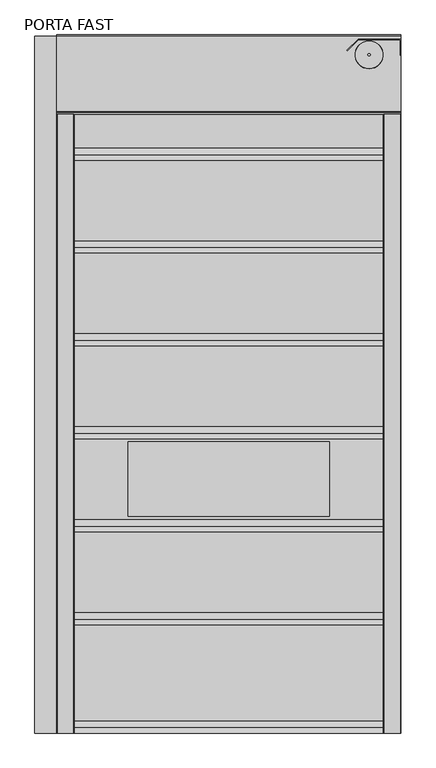
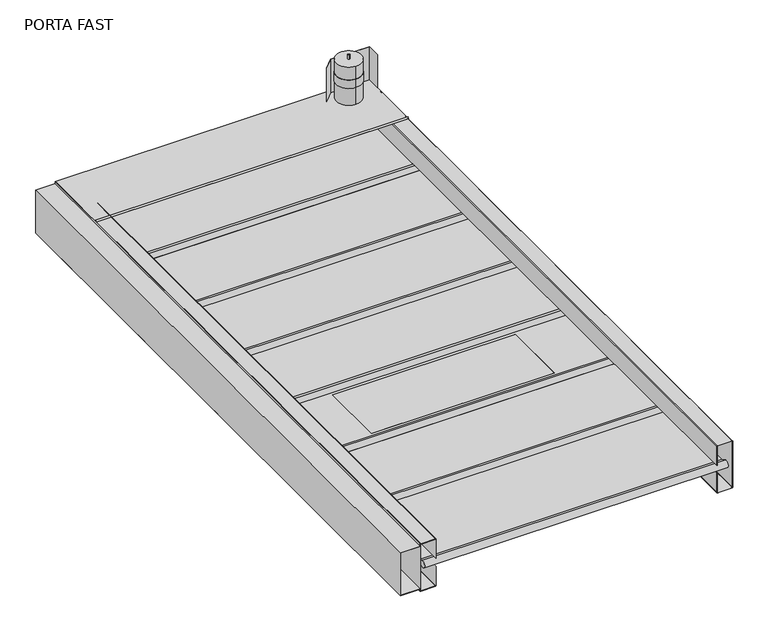
"""IFC4 building model written with IfcOpenShell, lengths in millimetres: proxy geometry, PORTA FAST."""

from ifc_helpers import new_model, si_unit, point, frame, frame_2d, origin, origin_with_axes, place, context, project, spatial, polyline, circle_curve, trimmed, segment, composite_curve, outline, extrude, source, transform, mapped, element, save
from ifc_brep_helpers import plane_surface, cylinder_surface, advanced_brep


def porta_fast_1e1f6c36(model_context):
    return source(origin(), model_context, "Body", "SolidModel", [
        extrude(outline(polyline([(340.25, -1253.5), (16.25, -1253.5), (16.25, -1113.5), (0.75, -1113.5), (0.75, -1112.0), (17.75, -1112.0), (17.75, -1252.0), (338.75, -1252.0), (338.75, -1112.0), (355.75, -1112.0), (355.75, -1113.5), (340.25, -1113.5), (340.25, -1253.5)])), frame((0.0, 0.0, 0.0), z_axis=(0.0, 1.0, 0.0), x_axis=(0.0, 0.0, 1.0)), (0.0, 0.0, 1.0), 4500.0),
        extrude(outline(composite_curve([segment(polyline([(147.5, 1000.0), (4.0, 1000.0)]), True, "CONTINUOUS"), segment(trimmed(circle_curve(frame_2d((4.0, 1004.0)), 4.0), [point((4.0, 1000.0))], [point((0.0, 1004.0))], False, "CARTESIAN"), True, "CONTINUOUS"), segment(polyline([(0.0, 1004.0), (0.0, 1108.0)]), True, "CONTINUOUS"), segment(trimmed(circle_curve(frame_2d((4.0, 1108.0)), 4.0), [point((0.0, 1108.0))], [point((4.0, 1112.0))], False, "CARTESIAN"), True, "CONTINUOUS"), segment(polyline([(4.0, 1112.0), (351.0, 1112.0)]), True, "CONTINUOUS"), segment(trimmed(circle_curve(frame_2d((351.0, 1108.0)), 4.0), [point((351.0, 1112.0))], [point((355.0, 1108.0))], False, "CARTESIAN"), True, "CONTINUOUS"), segment(polyline([(355.0, 1108.0), (355.0, 1004.0)]), True, "CONTINUOUS"), segment(trimmed(circle_curve(frame_2d((351.0, 1004.0)), 4.0), [point((355.0, 1004.0))], [point((351.0, 1000.0))], False, "CARTESIAN"), True, "CONTINUOUS"), segment(polyline([(351.0, 1000.0), (207.5, 1000.0), (207.5, 1001.5), (351.0, 1001.5)]), True, "CONTINUOUS"), segment(trimmed(circle_curve(frame_2d((351.0, 1004.0)), 2.5), [point((351.0, 1001.5))], [point((353.5, 1004.0))], True, "CARTESIAN"), True, "CONTINUOUS"), segment(polyline([(353.5, 1004.0), (353.5, 1108.0)]), True, "CONTINUOUS"), segment(trimmed(circle_curve(frame_2d((351.0, 1108.0)), 2.5), [point((353.5, 1108.0))], [point((351.0, 1110.5))], True, "CARTESIAN"), True, "CONTINUOUS"), segment(polyline([(351.0, 1110.5), (4.0, 1110.5)]), True, "CONTINUOUS"), segment(trimmed(circle_curve(frame_2d((4.0, 1108.0)), 2.5), [point((4.0, 1110.5))], [point((1.5, 1108.0))], True, "CARTESIAN"), True, "CONTINUOUS"), segment(polyline([(1.5, 1108.0), (1.5, 1004.0)]), True, "CONTINUOUS"), segment(trimmed(circle_curve(frame_2d((4.0, 1004.0)), 2.5), [point((1.5, 1004.0))], [point((4.0, 1001.5))], True, "CARTESIAN"), True, "CONTINUOUS"), segment(polyline([(4.0, 1001.5), (147.5, 1001.5), (147.5, 1000.0)]), True, "CONTINUOUS")], self_intersect=False)), frame((0.0, 0.0, 0.0), z_axis=(0.0, 1.0, 0.0), x_axis=(0.0, 0.0, 1.0)), (0.0, 0.0, 1.0), 4172.0),
        extrude(outline(composite_curve([segment(polyline([(147.5, -1000.0), (147.5, -1001.5), (4.0, -1001.5)]), True, "CONTINUOUS"), segment(trimmed(circle_curve(frame_2d((4.0, -1004.0)), 2.5), [point((4.0, -1001.5))], [point((1.5, -1004.0))], True, "CARTESIAN"), True, "CONTINUOUS"), segment(polyline([(1.5, -1004.0), (1.5, -1108.0)]), True, "CONTINUOUS"), segment(trimmed(circle_curve(frame_2d((4.0, -1108.0)), 2.5), [point((1.5, -1108.0))], [point((4.0, -1110.5))], True, "CARTESIAN"), True, "CONTINUOUS"), segment(polyline([(4.0, -1110.5), (351.0, -1110.5)]), True, "CONTINUOUS"), segment(trimmed(circle_curve(frame_2d((351.0, -1108.0)), 2.5), [point((351.0, -1110.5))], [point((353.5, -1108.0))], True, "CARTESIAN"), True, "CONTINUOUS"), segment(polyline([(353.5, -1108.0), (353.5, -1004.0)]), True, "CONTINUOUS"), segment(trimmed(circle_curve(frame_2d((351.0, -1004.0)), 2.5), [point((353.5, -1004.0))], [point((351.0, -1001.5))], True, "CARTESIAN"), True, "CONTINUOUS"), segment(polyline([(351.0, -1001.5), (207.5, -1001.5), (207.5, -1000.0), (351.0, -1000.0)]), True, "CONTINUOUS"), segment(trimmed(circle_curve(frame_2d((351.0, -1004.0)), 4.0), [point((351.0, -1000.0))], [point((355.0, -1004.0))], False, "CARTESIAN"), True, "CONTINUOUS"), segment(polyline([(355.0, -1004.0), (355.0, -1108.0)]), True, "CONTINUOUS"), segment(trimmed(circle_curve(frame_2d((351.0, -1108.0)), 4.0), [point((355.0, -1108.0))], [point((351.0, -1112.0))], False, "CARTESIAN"), True, "CONTINUOUS"), segment(polyline([(351.0, -1112.0), (4.0, -1112.0)]), True, "CONTINUOUS"), segment(trimmed(circle_curve(frame_2d((4.0, -1108.0)), 4.0), [point((4.0, -1112.0))], [point((0.0, -1108.0))], False, "CARTESIAN"), True, "CONTINUOUS"), segment(polyline([(0.0, -1108.0), (0.0, -1004.0)]), True, "CONTINUOUS"), segment(trimmed(circle_curve(frame_2d((4.0, -1004.0)), 4.0), [point((0.0, -1004.0))], [point((4.0, -1000.0))], False, "CARTESIAN"), True, "CONTINUOUS"), segment(polyline([(4.0, -1000.0), (147.5, -1000.0)]), True, "CONTINUOUS")], self_intersect=False)), frame((0.0, 0.0, 0.0), z_axis=(0.0, 1.0, 0.0), x_axis=(0.0, 0.0, 1.0)), (0.0, 0.0, 1.0), 4172.0),
        extrude(outline(polyline([(650.0, 1879.752957), (650.0, 1400.0), (-650.0, 1400.0), (-650.0, 1879.752957), (650.0, 1879.752957)])), frame((0.0, 0.0, 177.0), z_axis=(0.0, 0.0, 1.0), x_axis=(1.0, 0.0, 0.0)), (0.0, 0.0, 1.0), 1.0),
        advanced_brep(
        [(-1080.0, 4355.0, 164.5687156), (-1080.0, 4355.0, 190.4312844), (1080.0, 4355.0, 190.4312844), (1080.0, 4355.0, 164.5687156), (-1080.0, 79.8109554, 178.0003263), (-1080.0, 699.9534443, 178.0003263), (-1080.0, 736.1471287, 199.8393608), (-1080.0, 779.8109554, 178.0), (-1080.0, 1299.9534376, 178.0), (-1080.0, 1336.1471287, 199.8393608), (-1080.0, 1379.8109554, 178.0), (-1080.0, 1899.9534376, 178.0), (-1080.0, 1936.1471287, 199.8393608), (-1080.0, 1979.8109554, 178.0), (-1080.0, 2499.9534376, 178.0), (-1080.0, 2536.1471287, 199.8393608), (-1080.0, 2579.8109554, 178.0), (-1080.0, 3099.9534376, 178.0), (-1080.0, 3136.1471287, 199.8393608), (-1080.0, 3179.8109554, 178.0), (-1080.0, 3699.9534376, 178.0), (-1080.0, 3736.1471287, 199.8393608), (-1080.0, 3779.8109554, 178.0), (-1080.0, 4299.9534376, 178.0), (-1080.0, 4336.1471287, 199.8393608), (-1080.0, 4336.1527137, 155.1254687), (-1080.0, 4299.952957, 177.0), (-1080.0, 3779.8109554, 177.0), (-1080.0, 3736.1527137, 155.1254687), (-1080.0, 3699.952957, 177.0), (-1080.0, 3179.8109554, 177.0), (-1080.0, 3136.1527137, 155.1254687), (-1080.0, 3099.952957, 177.0), (-1080.0, 2579.8109554, 177.0), (-1080.0, 2536.1527137, 155.1254687), (-1080.0, 2499.952957, 177.0), (-1080.0, 1979.8109554, 177.0), (-1080.0, 1936.1527137, 155.1254687), (-1080.0, 1899.952957, 177.0), (-1080.0, 1379.8109554, 177.0), (-1080.0, 1336.1527137, 155.1254687), (-1080.0, 1299.952957, 177.0), (-1080.0, 779.8109554, 177.0), (-1080.0, 736.1527137, 155.1254687), (-1080.0, 699.952957, 177.0), (-1080.0, 79.8109554, 177.0), (-1080.0, 36.1989348, 155.1486273), (-1080.0, 36.1988011, 199.8514396), (1080.0, 79.8109554, 178.0003263), (1080.0, 36.1988011, 199.8514396), (1080.0, 36.1989348, 155.1486273), (1080.0, 79.8109554, 177.0), (1080.0, 699.952957, 177.0), (1080.0, 736.1471287, 155.1366155), (1080.0, 779.8109554, 177.0), (1080.0, 1299.952957, 177.0), (1080.0, 1336.1471287, 155.1366155), (1080.0, 1379.8109554, 177.0), (1080.0, 1899.952957, 177.0), (1080.0, 1936.1471287, 155.1366155), (1080.0, 1979.8109554, 177.0), (1080.0, 2499.952957, 177.0), (1080.0, 2536.1471287, 155.1366155), (1080.0, 2579.8109554, 177.0), (1080.0, 3099.952957, 177.0), (1080.0, 3136.1471287, 155.1366155), (1080.0, 3179.8109554, 177.0), (1080.0, 3699.952957, 177.0), (1080.0, 3736.1471287, 155.1366155), (1080.0, 3779.8109554, 177.0), (1080.0, 4299.952957, 177.0), (1080.0, 4336.1471287, 155.1366155), (1080.0, 4336.1623351, 199.8697106), (1080.0, 4299.9534376, 178.0), (1080.0, 3779.8109554, 178.0), (1080.0, 3736.1623351, 199.8697106), (1080.0, 3699.9534376, 178.0), (1080.0, 3179.8109554, 178.0), (1080.0, 3136.1623351, 199.8697106), (1080.0, 3099.9534376, 178.0), (1080.0, 2579.8109554, 178.0), (1080.0, 2536.1623351, 199.8697106), (1080.0, 2499.9534376, 178.0), (1080.0, 1979.8109554, 178.0), (1080.0, 1936.1623351, 199.8697106), (1080.0, 1899.9534376, 178.0), (1080.0, 1379.8109554, 178.0), (1080.0, 1336.1623351, 199.8697106), (1080.0, 1299.9534376, 178.0), (1080.0, 779.8109554, 178.0), (1080.0, 736.1623351, 199.8697106), (1080.0, 699.9534443, 178.0003263), (650.0, 1879.752957, 177.0), (-650.0, 1879.752957, 177.0), (-650.0, 1400.0, 177.0), (650.0, 1400.0, 177.0), (-650.0, 1879.752957, 178.0), (650.0, 1879.752957, 178.0), (650.0, 1400.0, 178.0), (-650.0, 1400.0, 178.0)],
        [
            (0, 1),
            (1, 2),
            (2, 3),
            (3, 0),
            (4, 5),
            (5, 6, circle_curve(frame((-1080.0, 724.9481939, 177.4879882), z_axis=(-1.0, 0.0, 0.0), x_axis=(0.0, 1.0, 0.0)), 25.0)),
            (6, 7),
            (7, 8),
            (8, 9, circle_curve(frame((-1080.0, 1324.9481939, 177.4879882), z_axis=(-1.0, 0.0, 0.0), x_axis=(0.0, 1.0, 0.0)), 25.0)),
            (9, 10),
            (10, 11),
            (11, 12, circle_curve(frame((-1080.0, 1924.9481939, 177.4879882), z_axis=(-1.0, 0.0, 0.0), x_axis=(0.0, 1.0, 0.0)), 25.0)),
            (12, 13),
            (13, 14),
            (14, 15, circle_curve(frame((-1080.0, 2524.9481939, 177.4879882), z_axis=(-1.0, 0.0, 0.0), x_axis=(0.0, 1.0, 0.0)), 25.0)),
            (15, 16),
            (16, 17),
            (17, 18, circle_curve(frame((-1080.0, 3124.9481939, 177.4879882), z_axis=(-1.0, 0.0, 0.0), x_axis=(0.0, 1.0, 0.0)), 25.0)),
            (18, 19),
            (19, 20),
            (20, 21, circle_curve(frame((-1080.0, 3724.9481939, 177.4879882), z_axis=(-1.0, 0.0, 0.0), x_axis=(0.0, 1.0, 0.0)), 25.0)),
            (21, 22),
            (22, 23),
            (23, 24, circle_curve(frame((-1080.0, 4324.9481939, 177.4879882), z_axis=(-1.0, 0.0, 0.0), x_axis=(0.0, 1.0, 0.0)), 25.0)),
            (24, 1),
            (0, 25),
            (25, 26, circle_curve(frame((-1080.0, 4324.9481939, 177.4879882), z_axis=(-1.0, 0.0, 0.0), x_axis=(0.0, 1.0, 0.0)), 25.0)),
            (26, 27),
            (27, 28),
            (28, 29, circle_curve(frame((-1080.0, 3724.9481939, 177.4879882), z_axis=(-1.0, 0.0, 0.0), x_axis=(0.0, 1.0, 0.0)), 25.0)),
            (29, 30),
            (30, 31),
            (31, 32, circle_curve(frame((-1080.0, 3124.9481939, 177.4879882), z_axis=(-1.0, 0.0, 0.0), x_axis=(0.0, 1.0, 0.0)), 25.0)),
            (32, 33),
            (33, 34),
            (34, 35, circle_curve(frame((-1080.0, 2524.9481939, 177.4879882), z_axis=(-1.0, 0.0, 0.0), x_axis=(0.0, 1.0, 0.0)), 25.0)),
            (35, 36),
            (36, 37),
            (37, 38, circle_curve(frame((-1080.0, 1924.9481939, 177.4879882), z_axis=(-1.0, 0.0, 0.0), x_axis=(0.0, 1.0, 0.0)), 25.0)),
            (38, 39),
            (39, 40),
            (40, 41, circle_curve(frame((-1080.0, 1324.9481939, 177.4879882), z_axis=(-1.0, 0.0, 0.0), x_axis=(0.0, 1.0, 0.0)), 25.0)),
            (41, 42),
            (42, 43),
            (43, 44, circle_curve(frame((-1080.0, 724.9481939, 177.4879882), z_axis=(-1.0, 0.0, 0.0), x_axis=(0.0, 1.0, 0.0)), 25.0)),
            (44, 45),
            (45, 46),
            (46, 47, circle_curve(frame((-1080.0, 25.0, 177.5), z_axis=(-1.0, 0.0, 0.0), x_axis=(0.0, 1.0, 0.0)), 25.0)),
            (47, 4),
            (48, 49),
            (49, 50, circle_curve(frame((1080.0, 25.0, 177.5), z_axis=(1.0, 0.0, 0.0), x_axis=(0.0, 1.0, 0.0)), 25.0)),
            (50, 51),
            (51, 52),
            (52, 53, circle_curve(frame((1080.0, 724.9481939, 177.4879882), z_axis=(1.0, 0.0, 0.0), x_axis=(0.0, 1.0, 0.0)), 25.0)),
            (53, 54),
            (54, 55),
            (55, 56, circle_curve(frame((1080.0, 1324.9481939, 177.4879882), z_axis=(1.0, 0.0, 0.0), x_axis=(0.0, 1.0, 0.0)), 25.0)),
            (56, 57),
            (57, 58),
            (58, 59, circle_curve(frame((1080.0, 1924.9481939, 177.4879882), z_axis=(1.0, 0.0, 0.0), x_axis=(0.0, 1.0, 0.0)), 25.0)),
            (59, 60),
            (60, 61),
            (61, 62, circle_curve(frame((1080.0, 2524.9481939, 177.4879882), z_axis=(1.0, 0.0, 0.0), x_axis=(0.0, 1.0, 0.0)), 25.0)),
            (62, 63),
            (63, 64),
            (64, 65, circle_curve(frame((1080.0, 3124.9481939, 177.4879882), z_axis=(1.0, 0.0, 0.0), x_axis=(0.0, 1.0, 0.0)), 25.0)),
            (65, 66),
            (66, 67),
            (67, 68, circle_curve(frame((1080.0, 3724.9481939, 177.4879882), z_axis=(1.0, 0.0, 0.0), x_axis=(0.0, 1.0, 0.0)), 25.0)),
            (68, 69),
            (69, 70),
            (70, 71, circle_curve(frame((1080.0, 4324.9481939, 177.4879882), z_axis=(1.0, 0.0, 0.0), x_axis=(0.0, 1.0, 0.0)), 25.0)),
            (71, 3),
            (2, 72),
            (72, 73, circle_curve(frame((1080.0, 4324.9481939, 177.4879882), z_axis=(1.0, 0.0, 0.0), x_axis=(0.0, 1.0, 0.0)), 25.0)),
            (73, 74),
            (74, 75),
            (75, 76, circle_curve(frame((1080.0, 3724.9481939, 177.4879882), z_axis=(1.0, 0.0, 0.0), x_axis=(0.0, 1.0, 0.0)), 25.0)),
            (76, 77),
            (77, 78),
            (78, 79, circle_curve(frame((1080.0, 3124.9481939, 177.4879882), z_axis=(1.0, 0.0, 0.0), x_axis=(0.0, 1.0, 0.0)), 25.0)),
            (79, 80),
            (80, 81),
            (81, 82, circle_curve(frame((1080.0, 2524.9481939, 177.4879882), z_axis=(1.0, 0.0, 0.0), x_axis=(0.0, 1.0, 0.0)), 25.0)),
            (82, 83),
            (83, 84),
            (84, 85, circle_curve(frame((1080.0, 1924.9481939, 177.4879882), z_axis=(1.0, 0.0, 0.0), x_axis=(0.0, 1.0, 0.0)), 25.0)),
            (85, 86),
            (86, 87),
            (87, 88, circle_curve(frame((1080.0, 1324.9481939, 177.4879882), z_axis=(1.0, 0.0, 0.0), x_axis=(0.0, 1.0, 0.0)), 25.0)),
            (88, 89),
            (89, 90),
            (90, 91, circle_curve(frame((1080.0, 724.9481939, 177.4879882), z_axis=(1.0, 0.0, 0.0), x_axis=(0.0, 1.0, 0.0)), 25.0)),
            (91, 48),
            (4, 48),
            (91, 5),
            (47, 49),
            (46, 50),
            (45, 51),
            (44, 52),
            (43, 53),
            (42, 54),
            (41, 55),
            (40, 56),
            (39, 57),
            (38, 58),
            (92, 93),
            (93, 94),
            (94, 95),
            (95, 92),
            (37, 59),
            (36, 60),
            (35, 61),
            (34, 62),
            (33, 63),
            (32, 64),
            (16, 80),
            (79, 17),
            (15, 81),
            (14, 82),
            (13, 83),
            (12, 84),
            (11, 85),
            (10, 86),
            (96, 97),
            (97, 98),
            (98, 99),
            (99, 96),
            (9, 87),
            (8, 88),
            (7, 89),
            (6, 90),
            (96, 93),
            (92, 97),
            (99, 94),
            (98, 95),
            (31, 65),
            (30, 66),
            (29, 67),
            (28, 68),
            (27, 69),
            (26, 70),
            (25, 71),
            (24, 72),
            (23, 73),
            (22, 74),
            (21, 75),
            (20, 76),
            (19, 77),
            (18, 78),
        ],
        [
            plane_surface(frame((1080.0, 4355.0, 421.6982124), z_axis=(0.0, 1.0, 0.0), x_axis=(-1.0, 0.0, 0.0))),
            plane_surface(frame((-1080.0, 79.8109554, 178.0003263), z_axis=(-1.0000000000000002, 0.0, 0.0), x_axis=(0.0, 0.8940575855622682, -0.44795204397186045))),
            plane_surface(frame((1080.0, 79.8109554, 178.0003263), z_axis=(1.0000000000000002, 0.0, 0.0), x_axis=(0.0, -0.8940575855622682, 0.44795204397186045))),
            plane_surface(frame((1080.0, 699.9534443, 178.0003263), z_axis=(0.0, 0.0, 1.0), x_axis=(-1.0, 0.0, 0.0))),
            plane_surface(frame((1080.0, 79.8109554, 178.0003263), z_axis=(0.0, 0.44795204397186045, 0.8940575855622682), x_axis=(-1.0, 0.0, 0.0))),
            cylinder_surface(frame((-1080.0, 25.0, 177.5), z_axis=(1.0, 0.0, 0.0), x_axis=(0.0, 1.0, 0.0)), 25.0),
            plane_surface(frame((1080.0, 36.1989348, 155.1486273), z_axis=(0.0, 0.44795739052765415, -0.8940549067432352), x_axis=(-1.0, 0.0, 0.0))),
            plane_surface(frame((1080.0, 79.8109554, 177.0), z_axis=(0.0, 0.0, -1.0), x_axis=(-1.0, 0.0, 0.0))),
            cylinder_surface(frame((-1080.0, 724.9481939, 177.4879882), z_axis=(1.0, 0.0, 0.0), x_axis=(0.0, 1.0, 0.0)), 25.0),
            plane_surface(frame((1080.0, 736.1527137, 155.1254687), z_axis=(0.0, 0.4479573905282667, -0.8940549067429282), x_axis=(-1.0, 0.0, 0.0))),
            plane_surface(frame((1080.0, 779.8109554, 177.0), z_axis=(0.0, 0.0, -1.0), x_axis=(-1.0, 0.0, 0.0))),
            cylinder_surface(frame((-1080.0, 1324.9481939, 177.4879882), z_axis=(1.0, 0.0, 0.0), x_axis=(0.0, 1.0, 0.0)), 25.0),
            plane_surface(frame((1080.0, 1336.1527137, 155.1254687), z_axis=(0.0, 0.44795739052814615, -0.8940549067429886), x_axis=(-1.0, 0.0, 0.0))),
            plane_surface(frame((1080.0, 1379.8109554, 177.0), z_axis=(0.0, 0.0, -1.0), x_axis=(-1.0, 0.0, 0.0))),
            cylinder_surface(frame((-1080.0, 1924.9481939, 177.4879882), z_axis=(1.0, 0.0, 0.0), x_axis=(0.0, 1.0, 0.0)), 25.0),
            plane_surface(frame((1080.0, 1936.1527137, 155.1254687), z_axis=(0.0, 0.4479573905281738, -0.8940549067429747), x_axis=(-1.0, 0.0, 0.0))),
            plane_surface(frame((1080.0, 1979.8109554, 177.0), z_axis=(0.0, 0.0, -1.0), x_axis=(-1.0, 0.0, 0.0))),
            cylinder_surface(frame((-1080.0, 2524.9481939, 177.4879882), z_axis=(1.0, 0.0, 0.0), x_axis=(0.0, 1.0, 0.0)), 25.0),
            plane_surface(frame((1080.0, 2536.1527137, 155.1254687), z_axis=(0.0, 0.4479573905282592, -0.8940549067429319), x_axis=(-1.0, 0.0, 0.0))),
            plane_surface(frame((1080.0, 2579.8109554, 177.0), z_axis=(0.0, 0.0, -1.0), x_axis=(-1.0, 0.0, 0.0))),
            plane_surface(frame((1080.0, 3099.9534376, 178.0), z_axis=(0.0, 0.0, 1.0), x_axis=(-1.0, 0.0, 0.0))),
            plane_surface(frame((1080.0, 2579.8109554, 178.0), z_axis=(0.0, 0.44795739052801015, 0.8940549067430568), x_axis=(-1.0, 0.0, 0.0))),
            plane_surface(frame((1080.0, 2499.9534376, 178.0), z_axis=(0.0, 0.0, 1.0), x_axis=(-1.0, 0.0, 0.0))),
            plane_surface(frame((1080.0, 1979.8109554, 178.0), z_axis=(0.0, 0.44795739052801775, 0.8940549067430529), x_axis=(-1.0, 0.0, 0.0))),
            plane_surface(frame((1080.0, 1899.9534376, 178.0), z_axis=(0.0, 0.0, 1.0), x_axis=(-1.0, 0.0, 0.0))),
            plane_surface(frame((1080.0, 1379.8109554, 178.0), z_axis=(0.0, 0.44795739052800504, 0.8940549067430593), x_axis=(-1.0, 0.0, 0.0))),
            plane_surface(frame((1080.0, 1299.9534376, 178.0), z_axis=(0.0, 0.0, 1.0), x_axis=(-1.0, 0.0, 0.0))),
            plane_surface(frame((1080.0, 779.8109554, 178.0), z_axis=(0.0, 0.4479573905278087, 0.8940549067431577), x_axis=(-1.0, 0.0, 0.0))),
            plane_surface(frame((-650.0, 1879.752957, 173.0), z_axis=(0.0, -1.0, 0.0), x_axis=(0.0, 0.0, 1.0))),
            plane_surface(frame((-650.0, 1400.0, 173.0), z_axis=(1.0, 0.0, 0.0), x_axis=(0.0, 0.0, 1.0))),
            plane_surface(frame((650.0, 1400.0, 173.0), z_axis=(0.0, 1.0, 0.0), x_axis=(0.0, 0.0, 1.0))),
            plane_surface(frame((650.0, 1879.752957, 173.0), z_axis=(-1.0, 0.0, 0.0), x_axis=(0.0, 0.0, 1.0))),
            cylinder_surface(frame((-1080.0, 3124.9481939, 177.4879882), z_axis=(1.0, 0.0, 0.0), x_axis=(0.0, 1.0, 0.0)), 25.0),
            plane_surface(frame((1080.0, 3136.1527137, 155.1254687), z_axis=(0.0, 0.4479573905281538, -0.8940549067429848), x_axis=(-1.0, 0.0, 0.0))),
            plane_surface(frame((1080.0, 3179.8109554, 177.0), z_axis=(0.0, 0.0, -1.0), x_axis=(-1.0, 0.0, 0.0))),
            cylinder_surface(frame((-1080.0, 3724.9481939, 177.4879882), z_axis=(1.0, 0.0, 0.0), x_axis=(0.0, 1.0, 0.0)), 25.0),
            plane_surface(frame((1080.0, 3736.1527137, 155.1254687), z_axis=(0.0, 0.44795739052812, -0.8940549067430017), x_axis=(-1.0, 0.0, 0.0))),
            plane_surface(frame((1080.0, 3779.8109554, 177.0), z_axis=(0.0, 0.0, -1.0), x_axis=(-1.0, 0.0, 0.0))),
            cylinder_surface(frame((-1080.0, 4324.9481939, 177.4879882), z_axis=(1.0, 0.0, 0.0), x_axis=(0.0, 1.0, 0.0)), 25.0),
            plane_surface(frame((1080.0, 4336.1527137, 155.1254687), z_axis=(0.0, 0.44795739052814115, -0.894054906742991), x_axis=(-1.0, 0.0, 0.0))),
            plane_surface(frame((1080.0, 4379.8109554, 178.0), z_axis=(0.0, 0.4479573905281707, 0.8940549067429763), x_axis=(-1.0, 0.0, 0.0))),
            plane_surface(frame((1080.0, 4299.9534376, 178.0), z_axis=(0.0, 0.0, 1.0), x_axis=(-1.0, 0.0, 0.0))),
            plane_surface(frame((1080.0, 3779.8109554, 178.0), z_axis=(0.0, 0.4479573905279894, 0.8940549067430671), x_axis=(-1.0, 0.0, 0.0))),
            plane_surface(frame((1080.0, 3699.9534376, 178.0), z_axis=(0.0, 0.0, 1.0), x_axis=(-1.0, 0.0, 0.0))),
            plane_surface(frame((1080.0, 3179.8109554, 178.0), z_axis=(0.0, 0.44795739052795613, 0.8940549067430837), x_axis=(-1.0, 0.0, 0.0))),
        ],
        [
            (0, [[1, 2, 3, 4]]),
            (1, [[5, 6, 7, 8, 9, 10, 11, 12, 13, 14, 15, 16, 17, 18, 19, 20, 21, 22, 23, 24, 25, -1, 26, 27, 28, 29, 30, 31, 32, 33, 34, 35, 36, 37, 38, 39, 40, 41, 42, 43, 44, 45, 46, 47, 48, 49]]),
            (2, [[50, 51, 52, 53, 54, 55, 56, 57, 58, 59, 60, 61, 62, 63, 64, 65, 66, 67, 68, 69, 70, 71, 72, 73, -3, 74, 75, 76, 77, 78, 79, 80, 81, 82, 83, 84, 85, 86, 87, 88, 89, 90, 91, 92, 93, 94]]),
            (3, [[-5, 95, -94, 96]]),
            (4, [[-49, 97, -50, -95]]),
            (5, [[-48, 98, -51, -97]]),
            (6, [[-47, 99, -52, -98]]),
            (7, [[-46, 100, -53, -99]]),
            (8, [[-45, 101, -54, -100]]),
            (9, [[-44, 102, -55, -101]]),
            (10, [[-43, 103, -56, -102]]),
            (11, [[-42, 104, -57, -103]]),
            (12, [[-41, 105, -58, -104]]),
            (13, [[-40, 106, -59, -105], [107, 108, 109, 110]]),
            (14, [[-39, 111, -60, -106]]),
            (15, [[-38, 112, -61, -111]]),
            (16, [[-37, 113, -62, -112]]),
            (17, [[-36, 114, -63, -113]]),
            (18, [[-35, 115, -64, -114]]),
            (19, [[-34, 116, -65, -115]]),
            (20, [[-17, 117, -82, 118]]),
            (21, [[-16, 119, -83, -117]]),
            (17, [[-15, 120, -84, -119]]),
            (22, [[-14, 121, -85, -120]]),
            (23, [[-13, 122, -86, -121]]),
            (14, [[-12, 123, -87, -122]]),
            (24, [[-11, 124, -88, -123], [125, 126, 127, 128]]),
            (25, [[-10, 129, -89, -124]]),
            (11, [[-9, 130, -90, -129]]),
            (26, [[-8, 131, -91, -130]]),
            (27, [[-7, 132, -92, -131]]),
            (8, [[-6, -96, -93, -132]]),
            (28, [[133, -107, 134, -125]]),
            (29, [[-133, -128, 135, -108]]),
            (30, [[-135, -127, 136, -109]]),
            (31, [[-136, -126, -134, -110]]),
            (32, [[-33, 137, -66, -116]]),
            (33, [[-32, 138, -67, -137]]),
            (34, [[-31, 139, -68, -138]]),
            (35, [[-30, 140, -69, -139]]),
            (36, [[-29, 141, -70, -140]]),
            (37, [[-28, 142, -71, -141]]),
            (38, [[-27, 143, -72, -142]]),
            (39, [[-143, -26, -4, -73]]),
            (40, [[144, -74, -2, -25]]),
            (38, [[-24, 145, -75, -144]]),
            (41, [[-23, 146, -76, -145]]),
            (42, [[-22, 147, -77, -146]]),
            (35, [[-21, 148, -78, -147]]),
            (43, [[-20, 149, -79, -148]]),
            (44, [[-19, 150, -80, -149]]),
            (32, [[-18, -118, -81, -150]]),
        ],
    ),
        extrude(outline(composite_curve([segment(trimmed(circle_curve(frame_2d((907.3812322, 4380.1080361)), 7.3846864), [point((907.3812322, 4372.7233497))], [point((907.3812322, 4387.4927225))], False, "CARTESIAN"), True, "CONTINUOUS"), segment(trimmed(circle_curve(frame_2d((907.3812322, 4380.1080361)), 7.3846864), [point((907.3812322, 4387.4927225))], [point((907.3812322, 4372.7233497))], False, "CARTESIAN"), True, "CONTINUOUS")], self_intersect=False)), frame((0.0, 0.0, 645.5), z_axis=(0.0, 0.0, 1.0), x_axis=(1.0, 0.0, 0.0)), (0.0, 0.0, 1.0), 31.0),
        extrude(outline(composite_curve([segment(trimmed(circle_curve(frame_2d((907.3812322, 4380.1080361)), 88.5), [point((907.3812322, 4291.6080361))], [point((907.3812322, 4468.6080361))], False, "CARTESIAN"), True, "CONTINUOUS"), segment(trimmed(circle_curve(frame_2d((907.3812322, 4380.1080361)), 88.5), [point((907.3812322, 4468.6080361))], [point((907.3812322, 4291.6080361))], False, "CARTESIAN"), True, "CONTINUOUS")], self_intersect=False)), frame((0.0, 0.0, 356.5), z_axis=(0.0, 0.0, 1.0), x_axis=(1.0, 0.0, 0.0)), (0.0, 0.0, 1.0), 289.0),
        extrude(outline(composite_curve([segment(trimmed(circle_curve(frame_2d((907.3812322, 4380.1080361)), 90.0), [point((907.3812322, 4290.1080361))], [point((907.3812322, 4470.1080361))], False, "CARTESIAN"), True, "CONTINUOUS"), segment(trimmed(circle_curve(frame_2d((907.3812322, 4380.1080361)), 90.0), [point((907.3812322, 4470.1080361))], [point((907.3812322, 4290.1080361))], False, "CARTESIAN"), True, "CONTINUOUS")], self_intersect=False)), frame((0.0, 0.0, 485.5), z_axis=(0.0, 0.0, 1.0), x_axis=(1.0, 0.0, 0.0)), (0.0, 0.0, 1.0), 63.0),
        extrude(outline(polyline([(1110.0, 4478.0), (837.0, 4478.0), (766.2893219, 4407.2893219), (764.8751083, 4408.7035354), (836.1715729, 4480.0), (1112.0, 4480.0), (1112.0, 4378.0), (1110.0, 4378.0), (1110.0, 4478.0)])), frame((0.0, 0.0, 356.5), z_axis=(0.0, 0.0, 1.0), x_axis=(1.0, 0.0, 0.0)), (0.0, 0.0, 1.0), 250.0),
        extrude(outline(composite_curve([segment(trimmed(circle_curve(frame_2d((4371.1428808, 177.7006407)), 61.0), [point((4432.1428808, 177.7006407))], [point((4310.1428808, 177.7006407))], False, "CARTESIAN"), True, "CONTINUOUS"), segment(trimmed(circle_curve(frame_2d((4371.1428808, 177.7006407)), 61.0), [point((4310.1428808, 177.7006407))], [point((4432.1428808, 177.7006407))], False, "CARTESIAN"), True, "CONTINUOUS")], self_intersect=False)), frame((-1129.0, 0.0, 0.0), z_axis=(1.0, 0.0, 0.0), x_axis=(0.0, 1.0, 0.0)), (0.0, 0.0, 1.0), 2236.0),
        extrude(outline(composite_curve([segment(trimmed(circle_curve(frame_2d((4371.1428808, 177.7006407)), 27.9500538), [point((4399.0929346, 177.7006407))], [point((4343.1928269, 177.7006407))], False, "CARTESIAN"), True, "CONTINUOUS"), segment(trimmed(circle_curve(frame_2d((4371.1428808, 177.7006407)), 27.9500538), [point((4343.1928269, 177.7006407))], [point((4399.0929346, 177.7006407))], False, "CARTESIAN"), True, "CONTINUOUS")], self_intersect=False)), frame((-1145.5, 0.0, 0.0), z_axis=(1.0, 0.0, 0.0), x_axis=(0.0, 1.0, 0.0)), (0.0, 0.0, 1.0), 2252.5),
        extrude(outline(composite_curve([segment(trimmed(circle_curve(frame_2d((4371.1428808, 177.7006407)), 17.4736463), [point((4388.6165271, 177.7006407))], [point((4353.6692345, 177.7006407))], False, "CARTESIAN"), True, "CONTINUOUS"), segment(trimmed(circle_curve(frame_2d((4371.1428808, 177.7006407)), 17.4736463), [point((4353.6692345, 177.7006407))], [point((4388.6165271, 177.7006407))], False, "CARTESIAN"), True, "CONTINUOUS")], self_intersect=False)), frame((-1220.0, 0.0, 0.0), z_axis=(1.0, 0.0, 0.0), x_axis=(0.0, 1.0, 0.0)), (0.0, 0.0, 1.0), 2327.0),
        extrude(outline(polyline([(1112.0, 4498.5), (1112.0, 4180.5), (1107.0, 4180.5), (1107.0, 4498.5), (1112.0, 4498.5)])), origin_with_axes(), (0.0, 0.0, 1.0), 355.0),
        extrude(outline(polyline([(-1112.0, 4180.5), (-1112.0, 4498.5), (-1107.0, 4498.5), (-1107.0, 4180.5), (-1112.0, 4180.5)])), origin_with_axes(), (0.0, 0.0, 1.0), 355.0),
        extrude(outline(polyline([(4500.0, 356.5), (4500.0, 1.5), (4508.5, 1.5), (4508.5, 0.0), (4498.5, 0.0), (4498.5, 355.0), (4012.6421356, 355.0), (4005.5710678, 362.0710678), (3998.5, 355.0), (3997.4393398, 356.0606602), (4005.5710678, 364.1923882), (4013.263456, 356.5), (4500.0, 356.5)])), frame((-1112.0, 0.0, 0.0), z_axis=(1.0, 0.0, 0.0), x_axis=(0.0, 1.0, 0.0)), (0.0, 0.0, 1.0), 2224.0),
    ])


if __name__ == "__main__":
    model = new_model("IFC4")
    model_context = context("Model", 3, world=origin())
    ifc_project = project(units=[si_unit("LENGTHUNIT", "METRE", prefix="MILLI")], contexts=[model_context])
    site = spatial("IfcSite", under=ifc_project)
    building = spatial("IfcBuilding", under=site)
    placement = place(None, origin())
    porta_fast_shape = porta_fast_1e1f6c36(model_context)
    element("IfcBuildingElementProxy", 1, Name="PORTA FAST", ObjectType="PORTA FAST", at=placement, inside=building, context=model_context, shape_type="MappedRepresentation", body=[
        mapped(porta_fast_shape, transform((0.0, 0.0, 0.0), x_axis=(1.0, 0.0, 0.0), y_axis=(0.0, 1.0, 0.0), z_axis=(0.0, 0.0, 1.0))),
    ])
    save(model, "model.ifc")
